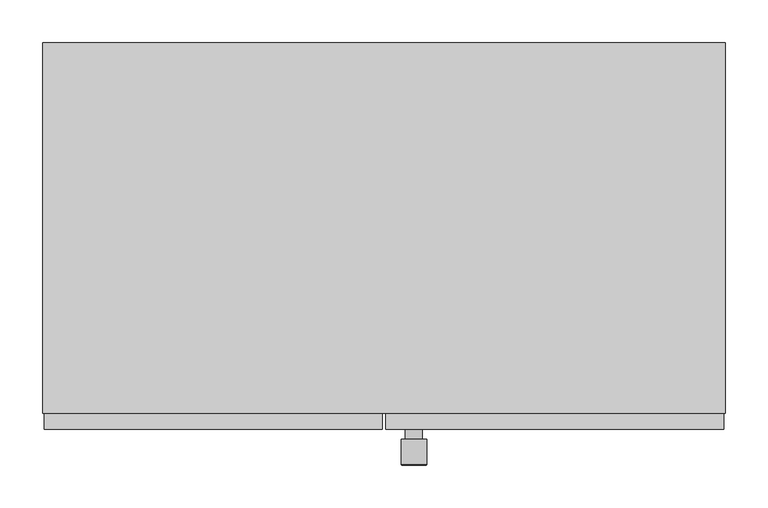
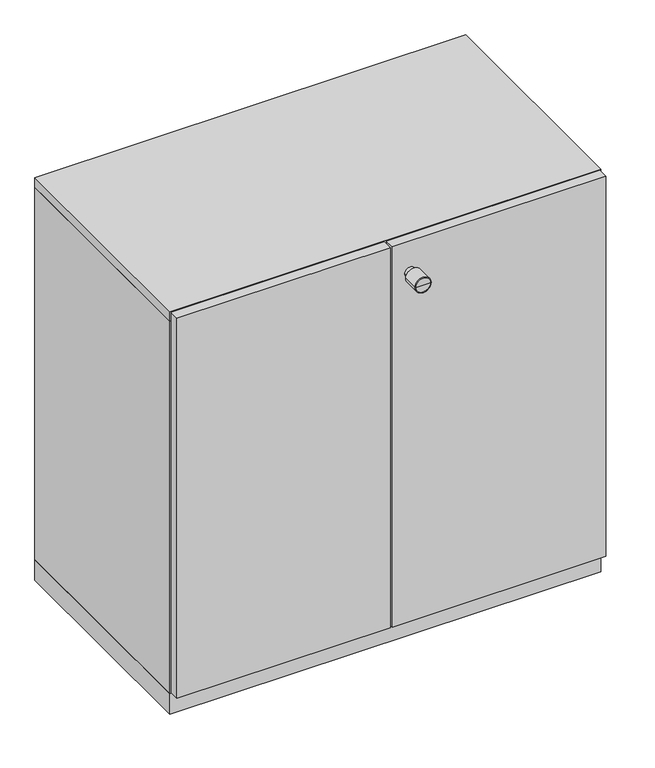
"""IFC4 building model written with IfcOpenShell, lengths in millimetres: furniture geometry."""

from ifc_helpers import new_model, si_unit, point, frame, origin, origin_with_axes, place, context, project, spatial, polyline, circle_curve, ellipse_curve, trimmed, outline, extrude, source, transform, mapped, element, save
from ifc_brep_helpers import plane_surface, cylinder_surface, revolved_surface, advanced_brep


def furniture_3f0eb022(model_context):
    return source(origin(), model_context, "Body", "SolidModel", [
        advanced_brep(
        [(-255.0, -248.0, 727.0), (-275.0, -248.0, 727.0), (-275.0, -236.0, 727.0), (-255.0, -236.0, 727.0), (-250.0, -248.0, 727.0), (-280.0, -248.0, 727.0), (-250.0, -277.0, 727.0), (-280.0, -277.0, 727.0), (-251.0, -278.0, 727.0), (-279.0, -278.0, 727.0), (-265.0, -278.0, 727.0), (-265.0, -236.0, 727.0)],
        [
            (0, 1, circle_curve(frame((-265.0, -248.0, 727.0), z_axis=(0.0, 1.0, 0.0), x_axis=(-1.0, 0.0, 0.0)), 10.0)),
            (1, 2),
            (2, 3, circle_curve(frame((-265.0, -236.0, 727.0), z_axis=(0.0, -1.0, 0.0), x_axis=(-1.0, 0.0, 0.0)), 10.0)),
            (3, 0),
            (1, 0, circle_curve(frame((-265.0, -248.0, 727.0), z_axis=(0.0, 1.0, 0.0), x_axis=(-1.0, 0.0, 0.0)), 10.0)),
            (3, 2, circle_curve(frame((-265.0, -236.0, 727.0), z_axis=(0.0, -1.0, 0.0), x_axis=(-1.0, 0.0, 0.0)), 10.0)),
            (4, 5, circle_curve(frame((-265.0, -248.0, 727.0), z_axis=(0.0, 1.0, 0.0), x_axis=(-1.0, 0.0, 0.0)), 15.0)),
            (5, 1),
            (0, 4),
            (5, 4, circle_curve(frame((-265.0, -248.0, 727.0), z_axis=(0.0, 1.0, 0.0), x_axis=(-1.0, 0.0, 0.0)), 15.0)),
            (6, 7, circle_curve(frame((-265.0, -277.0, 727.0), z_axis=(0.0, 1.0, 0.0), x_axis=(-1.0, 0.0, 0.0)), 15.0)),
            (7, 5),
            (4, 6),
            (7, 6, circle_curve(frame((-265.0, -277.0, 727.0), z_axis=(0.0, 1.0, 0.0), x_axis=(-1.0, 0.0, 0.0)), 15.0)),
            (8, 9, circle_curve(frame((-265.0, -278.0, 727.0), z_axis=(0.0, 1.0, 0.0), x_axis=(-1.0, 0.0, 0.0)), 14.0)),
            (9, 7, circle_curve(frame((-279.0, -277.0, 727.0), z_axis=(0.0, 0.0, -1.0), x_axis=(-1.0, 0.0, 0.0)), 1.0)),
            (6, 8, circle_curve(frame((-251.0, -277.0, 727.0), z_axis=(0.0, 0.0, -1.0), x_axis=(1.0, 0.0, 0.0)), 1.0)),
            (9, 8, circle_curve(frame((-265.0, -278.0, 727.0), z_axis=(0.0, 1.0, 0.0), x_axis=(-1.0, 0.0, 0.0)), 14.0)),
            (10, 9),
            (8, 10),
            (2, 11),
            (11, 3),
        ],
        [
            cylinder_surface(frame((-265.0, -278.0, 727.0), z_axis=(0.0, -1.0, 0.0), x_axis=(-1.0, 0.0, 0.0)), 10.0),
            plane_surface(frame((-265.0, -248.0, 727.0), z_axis=(0.0, 1.0, 0.0), x_axis=(-1.0, 0.0, 0.0))),
            cylinder_surface(frame((-265.0, -278.0, 727.0), z_axis=(0.0, -1.0, 0.0), x_axis=(-1.0, 0.0, 0.0)), 15.0),
            revolved_surface(trimmed(ellipse_curve(frame((-279.0, -277.0, 727.0), z_axis=(0.0, 0.0, 1.0), x_axis=(-1.0, 0.0, 0.0)), 1.0, 1.0), [point((-280.0, -277.0, 727.0))], [point((-279.0, -278.0, 727.0))], True, "CARTESIAN"), (-265.0, -278.0, 727.0), (0.0, -1.0, 0.0)),
            plane_surface(frame((-265.0, -278.0, 727.0), z_axis=(0.0, -1.0, 0.0), x_axis=(-1.0, 0.0, 0.0))),
            plane_surface(frame((-265.0, -236.0, 727.0), z_axis=(0.0, 1.0, 0.0), x_axis=(-1.0, 0.0, 0.0))),
        ],
        [
            (0, [[1, 2, 3, 4]]),
            (0, [[5, -4, 6, -2]]),
            (1, [[7, 8, -1, 9]]),
            (1, [[10, -9, -5, -8]]),
            (2, [[11, 12, -7, 13]]),
            (2, [[14, -13, -10, -12]]),
            (3, [[15, 16, -11, 17]]),
            (3, [[18, -17, -14, -16]]),
            (4, [[19, -15, 20]]),
            (4, [[-20, -18, -19]]),
            (5, [[-3, 21, 22]]),
            (5, [[-6, -22, -21]]),
        ],
    ),
        extrude(outline(polyline([(-302.0, -236.0), (-698.0, -236.0), (-698.0, -217.0), (-302.0, -217.0), (-302.0, -236.0)])), frame((0.0, 0.0, 42.0), z_axis=(0.0, 0.0, 1.0), x_axis=(1.0, 0.0, 0.0)), (0.0, 0.0, 1.0), 746.0),
        extrude(outline(polyline([(98.0, -236.0), (-298.0, -236.0), (-298.0, -217.0), (98.0, -217.0), (98.0, -236.0)])), frame((0.0, 0.0, 42.0), z_axis=(0.0, 0.0, 1.0), x_axis=(1.0, 0.0, 0.0)), (0.0, 0.0, 1.0), 746.0),
        extrude(outline(polyline([(81.0, 209.0), (-681.0, 209.0), (-681.0, 217.0), (81.0, 217.0), (81.0, 209.0)])), frame((0.0, 0.0, 59.0), z_axis=(0.0, 0.0, 1.0), x_axis=(1.0, 0.0, 0.0)), (0.0, 0.0, 1.0), 712.0),
        extrude(outline(polyline([(-700.0, -217.0), (-700.0, 217.0), (100.0, 217.0), (100.0, -217.0), (-700.0, -217.0)])), origin_with_axes(), (0.0, 0.0, 1.0), 40.0),
        extrude(outline(polyline([(-700.0, -217.0), (-700.0, 217.0), (100.0, 217.0), (100.0, -217.0), (-700.0, -217.0)])), frame((0.0, 0.0, 771.0), z_axis=(0.0, 0.0, 1.0), x_axis=(1.0, 0.0, 0.0)), (0.0, 0.0, 1.0), 19.0),
        extrude(outline(polyline([(100.0, 217.0), (100.0, -217.0), (81.0, -217.0), (81.0, 217.0), (100.0, 217.0)])), frame((0.0, 0.0, 40.0), z_axis=(0.0, 0.0, 1.0), x_axis=(1.0, 0.0, 0.0)), (0.0, 0.0, 1.0), 731.0),
        extrude(outline(polyline([(-681.0, 217.0), (-681.0, -217.0), (-700.0, -217.0), (-700.0, 217.0), (-681.0, 217.0)])), frame((0.0, 0.0, 40.0), z_axis=(0.0, 0.0, 1.0), x_axis=(1.0, 0.0, 0.0)), (0.0, 0.0, 1.0), 731.0),
        extrude(outline(polyline([(81.0, 217.0), (81.0, -217.0), (-681.0, -217.0), (-681.0, 217.0), (81.0, 217.0)])), frame((0.0, 0.0, 40.0), z_axis=(0.0, 0.0, 1.0), x_axis=(1.0, 0.0, 0.0)), (0.0, 0.0, 1.0), 19.0),
    ])


if __name__ == "__main__":
    model = new_model("IFC4")
    model_context = context("Model", 3, world=origin())
    ifc_project = project(units=[si_unit("LENGTHUNIT", "METRE", prefix="MILLI")], contexts=[model_context])
    site = spatial("IfcSite", under=ifc_project)
    building = spatial("IfcBuilding", under=site)
    placement = place(None, origin())
    furniture_shape = furniture_3f0eb022(model_context)
    element("IfcFurniture", 1, at=placement, inside=building, context=model_context, shape_type="MappedRepresentation", body=[
        mapped(furniture_shape, transform((0.0, 0.0, 0.0), x_axis=(1.0, 0.0, 0.0), y_axis=(0.0, 1.0, 0.0), z_axis=(0.0, 0.0, 1.0))),
    ])
    save(model, "model.ifc")
